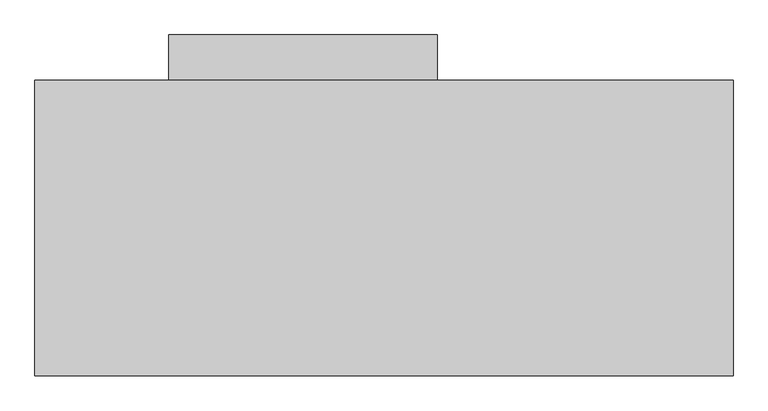
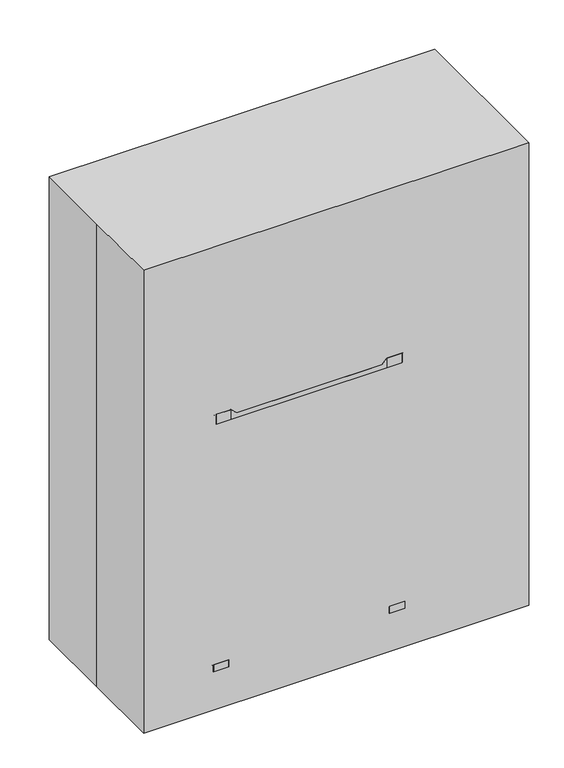
"""IFC4 building model written with IfcOpenShell, lengths in millimetres: proxy geometry."""

from ifc_helpers import new_model, si_unit, point, frame, frame_2d, origin, origin_with_axes, place, context, project, spatial, polyline, circle_curve, trimmed, segment, composite_curve, outline, extrude, faceted_brep, source, transform, mapped, element, save
from ifc_brep_helpers import plane_surface, cylinder_surface, revolved_surface, spline_surface, advanced_brep


def specialty_equipment_c0176299(model_context):
    return source(origin(), model_context, "Body", "SolidModel", [
        advanced_brep(
        [(-617.6487952, 2.9144028, 860.7975437), (-414.4487952, 2.9144028, 860.7975437), (-604.9487952, 2.9144028, 860.7975437), (-427.1487952, 2.9144028, 860.7975437), (-617.6487952, 2.9144028, 234.3936643), (-414.4487952, 2.9144028, 234.3936643), (-604.9487952, 2.9144028, 234.3936643), (-427.1487952, 2.9144028, 234.3936643), (-617.6487952, 2.9144028, 845.5698121), (-424.9008141, -41.9699547, 845.5698121), (-424.9008141, -41.9699547, 567.7573121), (-617.6487952, 2.9144028, 567.7573121), (-609.0105353, -38.0816322, 262.9573121), (-609.0105353, -38.0816322, 548.7073121), (-422.9407954, -37.7483612, 548.7073121), (-422.9407954, -37.7483612, 262.9573121), (-424.9008141, 47.7987602, 567.7573121), (-424.9008141, 47.7987602, 845.5698121), (-609.0105353, 43.9104377, 548.7073121), (-609.0105353, 43.9104377, 262.9573121), (-422.9407954, 43.5771667, 262.9573121), (-422.9407954, 43.5771667, 548.7073121), (-604.9487952, 2.9144028, 845.5698121), (-427.1487952, 2.9144028, 845.5698121), (-427.1487952, 2.9144028, 262.9573121), (-604.9487952, 2.9144028, 262.9573121), (-427.1487952, 2.9144028, 567.7573121), (-604.9487952, 2.9144028, 567.7573121), (-604.9487952, 2.9144028, 548.7073121), (-427.1487952, 2.9144028, 548.7073121)],
        [
            (0, 1, circle_curve(frame((-516.0487952, 2.9144028, 860.7975437), z_axis=(0.0, 0.0, 1.0), x_axis=(1.0, 1.2023715356688048e-12, 0.0)), 101.6)),
            (1, 0, circle_curve(frame((-516.0487952, 2.9144028, 860.7975437), z_axis=(0.0, 0.0, 1.0), x_axis=(1.0, 1.2023715356688048e-12, 0.0)), 101.6)),
            (2, 3, circle_curve(frame((-516.0487952, 2.9144028, 860.7975437), z_axis=(0.0, 0.0, -1.0), x_axis=(1.0, 1.2023715356688048e-12, 0.0)), 88.9)),
            (3, 2, circle_curve(frame((-516.0487952, 2.9144028, 860.7975437), z_axis=(0.0, 0.0, -1.0), x_axis=(1.0, 1.2023715356688048e-12, 0.0)), 88.9)),
            (4, 5, circle_curve(frame((-516.0487952, 2.9144028, 234.3936643), z_axis=(0.0, 0.0, -1.0), x_axis=(1.0, 1.2023715356688048e-12, 0.0)), 101.6)),
            (5, 4, circle_curve(frame((-516.0487952, 2.9144028, 234.3936643), z_axis=(0.0, 0.0, -1.0), x_axis=(1.0, 1.2023715356688048e-12, 0.0)), 101.6)),
            (6, 7, circle_curve(frame((-516.0487952, 2.9144028, 234.3936643), z_axis=(0.0, 0.0, 1.0), x_axis=(1.0, 1.2023715356688048e-12, 0.0)), 88.9)),
            (7, 6, circle_curve(frame((-516.0487952, 2.9144028, 234.3936643), z_axis=(0.0, 0.0, 1.0), x_axis=(1.0, 1.2023715356688048e-12, 0.0)), 88.9)),
            (0, 8),
            (8, 9, circle_curve(frame((-516.0487952, 2.9144028, 845.5698121), z_axis=(0.0, 0.0, 1.0), x_axis=(1.0, 1.2023715356688048e-12, 0.0)), 101.6)),
            (9, 10),
            (10, 11, circle_curve(frame((-516.0487952, 2.9144028, 567.7573121), z_axis=(0.0, 0.0, -1.0), x_axis=(1.0, 1.2023715356688048e-12, 0.0)), 101.6)),
            (11, 4),
            (5, 1),
            (12, 13),
            (13, 14, circle_curve(frame((-516.0487952, 2.9144028, 548.7073121), z_axis=(0.0, 0.0, 1.0), x_axis=(1.0, 1.2023715356688048e-12, 0.0)), 101.6)),
            (14, 15),
            (15, 12, circle_curve(frame((-516.0487952, 2.9144028, 262.9573121), z_axis=(0.0, 0.0, -1.0), x_axis=(1.0, 1.2023715356688048e-12, 0.0)), 101.6)),
            (11, 16, circle_curve(frame((-516.0487952, 2.9144028, 567.7573121), z_axis=(0.0, 0.0, -1.0), x_axis=(1.0, 1.2023715356688048e-12, 0.0)), 101.6)),
            (16, 17),
            (17, 8, circle_curve(frame((-516.0487952, 2.9144028, 845.5698121), z_axis=(0.0, 0.0, 1.0), x_axis=(1.0, 1.2023715356688048e-12, 0.0)), 101.6)),
            (18, 19),
            (19, 20, circle_curve(frame((-516.0487952, 2.9144028, 262.9573121), z_axis=(0.0, 0.0, -1.0), x_axis=(1.0, 1.2023715356688048e-12, 0.0)), 101.6)),
            (20, 21),
            (21, 18, circle_curve(frame((-516.0487952, 2.9144028, 548.7073121), z_axis=(0.0, 0.0, 1.0), x_axis=(1.0, 1.2023715356688048e-12, 0.0)), 101.6)),
            (2, 22),
            (22, 23, circle_curve(frame((-516.0487952, 2.9144028, 845.5698121), z_axis=(0.0, 0.0, -1.0), x_axis=(1.0, 1.2023715356688048e-12, 0.0)), 88.9)),
            (23, 3),
            (7, 24),
            (24, 25, circle_curve(frame((-516.0487952, 2.9144028, 262.9573121), z_axis=(0.0, 0.0, 1.0), x_axis=(1.0, 1.2023715356688048e-12, 0.0)), 88.9)),
            (25, 6),
            (26, 27, circle_curve(frame((-516.0487952, 2.9144028, 567.7573121), z_axis=(0.0, 0.0, 1.0), x_axis=(1.0, 1.2023715356688048e-12, 0.0)), 88.9)),
            (27, 28),
            (28, 29, circle_curve(frame((-516.0487952, 2.9144028, 548.7073121), z_axis=(0.0, 0.0, -1.0), x_axis=(1.0, 1.2023715356688048e-12, 0.0)), 88.9)),
            (29, 26),
            (23, 22, circle_curve(frame((-516.0487952, 2.9144028, 845.5698121), z_axis=(0.0, 0.0, -1.0), x_axis=(1.0, 1.2023715356688048e-12, 0.0)), 88.9)),
            (25, 24, circle_curve(frame((-516.0487952, 2.9144028, 262.9573121), z_axis=(0.0, 0.0, 1.0), x_axis=(1.0, 1.2023715356688048e-12, 0.0)), 88.9)),
            (27, 26, circle_curve(frame((-516.0487952, 2.9144028, 567.7573121), z_axis=(0.0, 0.0, 1.0), x_axis=(1.0, 1.2023715356688048e-12, 0.0)), 88.9)),
            (29, 28, circle_curve(frame((-516.0487952, 2.9144028, 548.7073121), z_axis=(0.0, 0.0, -1.0), x_axis=(1.0, 1.2023715356688048e-12, 0.0)), 88.9)),
            (10, 16),
            (9, 17),
            (18, 13),
            (12, 19),
            (15, 20),
            (14, 21),
        ],
        [
            plane_surface(frame((-414.4487952, 2.9144028, 860.7975437), z_axis=(0.0, 0.0, 1.0), x_axis=(-1.2023715356688048e-12, 1.0, 0.0))),
            plane_surface(frame((-414.4487952, 2.9144028, 234.3936643), z_axis=(0.0, 0.0, -1.0), x_axis=(1.2023715356688048e-12, -1.0, 0.0))),
            cylinder_surface(frame((-516.0487952, 2.9144028, 234.3936643), z_axis=(0.0, 0.0, 1.0), x_axis=(1.0, 1.2023715356688048e-12, 0.0)), 101.6),
            revolved_surface(polyline([(-427.1487952, 2.914402800106891, 845.5698121), (-427.1487952, 2.914402800106891, 860.7975437)]), (-516.0487952, 2.9144028, 163.5125), (0.0, 0.0, -1.0)),
            revolved_surface(polyline([(-427.1487952, 2.914402800106891, 234.3936643), (-427.1487952, 2.914402800106891, 262.9573121)]), (-516.0487952, 2.9144028, 163.5125), (0.0, 0.0, -1.0)),
            revolved_surface(polyline([(-427.1487952, 2.914402800106891, 548.7073121), (-427.1487952, 2.914402800106891, 567.7573121)]), (-516.0487952, 2.9144028, 163.5125), (0.0, 0.0, -1.0)),
            plane_surface(frame((-628.0605353, -110.1467187, 567.7573121), z_axis=(0.0, 0.0, 1.0), x_axis=(0.0, 1.0, 0.0))),
            plane_surface(frame((-424.9008141, -110.1467187, 567.7573121), z_axis=(-1.0, 0.0, 0.0), x_axis=(0.0, 1.0, 0.0))),
            plane_surface(frame((-424.9008141, -110.1467187, 845.5698121), z_axis=(0.0, 0.0, -1.0), x_axis=(0.0, 1.0, 0.0))),
            plane_surface(frame((-609.0105353, -110.1467187, 548.7073121), z_axis=(1.0, 0.0, 0.0), x_axis=(0.0, 1.0, 0.0))),
            plane_surface(frame((-609.0105353, -110.1467187, 262.9573121), z_axis=(0.0, 0.0, 1.0), x_axis=(0.0, 1.0, 0.0))),
            plane_surface(frame((-422.9407954, -110.1467187, 262.9573121), z_axis=(-1.0, 0.0, 0.0), x_axis=(0.0, 1.0, 0.0))),
            plane_surface(frame((-422.9407954, -110.1467187, 548.7073121), z_axis=(0.0, 0.0, -1.0), x_axis=(0.0, 1.0, 0.0))),
        ],
        [
            (0, [[1, 2], [3, 4]]),
            (1, [[5, 6], [7, 8]]),
            (2, [[-1, 9, 10, 11, 12, 13, -6, 14], [15, 16, 17, 18]]),
            (2, [[-2, -14, -5, -13, 19, 20, 21, -9], [22, 23, 24, 25]]),
            (3, [[-3, 26, 27, 28]]),
            (4, [[-8, 29, 30, 31]]),
            (5, [[32, 33, 34, 35]]),
            (3, [[-4, -28, 36, -26]]),
            (4, [[-7, -31, 37, -29]]),
            (5, [[38, -35, 39, -33]]),
            (6, [[40, -19, -12], [-32, -38]]),
            (7, [[-40, -11, 41, -20]]),
            (8, [[-41, -10, -21], [-27, -36]]),
            (9, [[42, -15, 43, -22]]),
            (10, [[-43, -18, 44, -23], [-30, -37]]),
            (11, [[-44, -17, 45, -24]]),
            (12, [[-42, -25, -45, -16], [-34, -39]]),
        ],
    ),
        faceted_brep([(224.7592046, -250.6571972, 163.5125), (224.7592046, -250.6571972, 1031.748), (173.9592046, -250.6571972, 1031.748), (-359.4407954, -250.6571972, 1031.748), (-410.2407954, -250.6571972, 1031.748), (-410.2407954, -250.6571972, 163.5125), (-359.4407954, -250.6571972, 221.742), (-359.4407954, -250.6571972, 996.442), (173.9592046, -250.6571972, 996.442), (173.9592046, -250.6571972, 221.742), (224.7592046, 250.9928028, 163.5125), (-410.2407954, 250.9928028, 163.5125), (-410.2407954, 250.9928028, 1031.748), (-359.4407954, 250.9928028, 1031.748), (173.9592046, 250.9928028, 1031.748), (224.7592046, 250.9928028, 1031.748), (224.7592046, -203.0321972, 996.442), (224.7592046, 203.3678028, 996.442), (224.7592046, 203.3678028, 977.392), (224.7592046, -203.0321972, 977.392), (-359.4407954, 238.7231785, 996.442), (-359.4407954, 238.7231785, 221.742), (173.9592046, 238.7231785, 221.742), (173.9592046, 238.7231785, 996.442), (640.6842046, -203.0321972, 996.442), (640.6842046, 203.3678028, 996.442), (640.6842046, 203.3678028, 977.392), (640.6842046, -203.0321972, 977.392)], [[[0, 1, 2, 3, 4, 5], [6, 7, 8, 9]], [[10, 11, 12, 13, 14, 15]], [[1, 0, 10, 15], [16, 17, 18, 19]], [[2, 1, 15, 14]], [[3, 2, 14, 13]], [[4, 3, 13, 12]], [[5, 4, 12, 11]], [[0, 5, 11, 10]], [[20, 21, 22, 23]], [[21, 20, 7, 6]], [[22, 21, 6, 9]], [[23, 22, 9, 8]], [[20, 23, 8, 7]], [[24, 25, 17, 16]], [[26, 27, 19, 18]], [[27, 24, 16, 19]], [[25, 24, 27, 26]], [[25, 26, 18, 17]]]),
        extrude(outline(polyline([(154.9092046, 154.1553028), (154.9092046, -204.6196972), (-340.3907954, -204.6196972), (-340.3907954, 154.1553028), (154.9092046, 154.1553028)])), frame((0.0, 0.0, 912.2918), z_axis=(0.0, 0.0, 1.0), x_axis=(1.0, 0.0, 0.0)), (0.0, 0.0, 1.0), 76.4986177),
        extrude(outline(polyline([(154.9092046, 154.1553028), (154.9092046, -204.6196972), (-340.3907954, -204.6196972), (-340.3907954, 154.1553028), (154.9092046, 154.1553028)])), frame((0.0, 0.0, 835.7931823), z_axis=(0.0, 0.0, 1.0), x_axis=(1.0, 0.0, 0.0)), (0.0, 0.0, 1.0), 76.4986177),
        extrude(outline(polyline([(154.9092046, 154.1553028), (154.9092046, -204.6196972), (-340.3907954, -204.6196972), (-340.3907954, 154.1553028), (154.9092046, 154.1553028)])), frame((0.0, 0.0, 759.4438734), z_axis=(0.0, 0.0, 1.0), x_axis=(1.0, 0.0, 0.0)), (0.0, 0.0, 1.0), 76.4986177),
        extrude(outline(polyline([(154.9092046, 154.1553028), (154.9092046, -204.6196972), (-340.3907954, -204.6196972), (-340.3907954, 154.1553028), (154.9092046, 154.1553028)])), frame((0.0, 0.0, 683.0945645), z_axis=(0.0, 0.0, 1.0), x_axis=(1.0, 0.0, 0.0)), (0.0, 0.0, 1.0), 76.4986177),
        extrude(outline(polyline([(154.9092046, 154.1553028), (154.9092046, -204.6196972), (-340.3907954, -204.6196972), (-340.3907954, 154.1553028), (154.9092046, 154.1553028)])), frame((0.0, 0.0, 530.3959468), z_axis=(0.0, 0.0, 1.0), x_axis=(1.0, 0.0, 0.0)), (0.0, 0.0, 1.0), 152.6986177),
        extrude(outline(polyline([(154.9092046, 154.1553028), (154.9092046, -204.6196972), (-340.3907954, -204.6196972), (-340.3907954, 154.1553028), (154.9092046, 154.1553028)])), frame((0.0, 0.0, 377.6973291), z_axis=(0.0, 0.0, 1.0), x_axis=(1.0, 0.0, 0.0)), (0.0, 0.0, 1.0), 152.6986177),
        extrude(outline(polyline([(154.9092046, 154.1553028), (154.9092046, -204.6196972), (-340.3907954, -204.6196972), (-340.3907954, 154.1553028), (154.9092046, 154.1553028)])), frame((0.0, 0.0, 225.2973291), z_axis=(0.0, 0.0, 1.0), x_axis=(1.0, 0.0, 0.0)), (0.0, 0.0, 1.0), 152.4),
        extrude(outline(composite_curve([segment(polyline([(1576.3284075, 82.0502646), (1573.7217185, 79.4435756)]), True, "CONTINUOUS"), segment(trimmed(circle_curve(frame_2d((1564.938779, 70.6606361)), 12.4209521), [point((1573.7217185, 79.4435756))], [point((1577.3597311, 70.6606361))], True, "CARTESIAN"), True, "CONTINUOUS"), segment(polyline([(1577.3597311, 70.6606361), (1577.3597311, 297.5600485)]), True, "CONTINUOUS"), segment(trimmed(circle_curve(frame_2d((1564.938779, 297.5600485)), 12.4209521), [point((1577.3597311, 297.5600485))], [point((1573.7217185, 288.777109))], True, "CARTESIAN"), True, "CONTINUOUS"), segment(polyline([(1573.7217185, 288.777109), (1576.3284075, 286.17042)]), True, "CONTINUOUS"), segment(trimmed(circle_curve(frame_2d((1564.938779, 297.5600485)), 16.1073671), [point((1576.3284075, 286.17042))], [point((1581.0461461, 297.5600485))], False, "CARTESIAN"), True, "CONTINUOUS"), segment(polyline([(1581.0461461, 297.5600485), (1581.0461461, 70.6606361)]), True, "CONTINUOUS"), segment(trimmed(circle_curve(frame_2d((1564.938779, 70.6606361)), 16.1073671), [point((1581.0461461, 70.6606361))], [point((1576.3284075, 82.0502646))], False, "CARTESIAN"), True, "CONTINUOUS")], self_intersect=False)), frame((0.0, 172.0713619, 0.0), z_axis=(0.0, 1.0, 0.0), x_axis=(0.0, 0.0, 1.0)), (0.0, 0.0, 1.0), 3.1474566),
        extrude(outline(composite_curve([segment(trimmed(circle_curve(frame_2d((183.4842046, 174.7928028)), 12.7), [point((183.4842046, 187.4928028))], [point((183.4842046, 162.0928028))], False, "CARTESIAN"), True, "CONTINUOUS"), segment(trimmed(circle_curve(frame_2d((183.4842046, 174.7928028)), 12.7), [point((183.4842046, 162.0928028))], [point((183.4842046, 187.4928028))], False, "CARTESIAN"), True, "CONTINUOUS")], self_intersect=False)), frame((0.0, 0.0, 1031.748), z_axis=(0.0, 0.0, 1.0), x_axis=(1.0, 0.0, 0.0)), (0.0, 0.0, 1.0), 558.8),
        extrude(outline(polyline([(46.9592046, 333.5428028), (46.9592046, 263.6928028), (161.2592046, 263.6928028), (161.2592046, 250.9928028), (-346.7407954, 250.9928028), (-346.7407954, 263.6928028), (-232.4407954, 263.6928028), (-232.4407954, 333.5428028), (46.9592046, 333.5428028)])), frame((0.0, 0.0, 759.5931823), z_axis=(0.0, 0.0, 1.0), x_axis=(1.0, 0.0, 0.0)), (0.0, 0.0, 1.0), 51.55692),
        extrude(outline(composite_curve([segment(polyline([(-368.9657954, -279.2321972), (-419.7657954, -279.2321972)]), True, "CONTINUOUS"), segment(trimmed(circle_curve(frame_2d((-419.7657954, -253.8321972)), 25.4), [point((-419.7657954, -279.2321972))], [point((-445.1657954, -253.8321972))], False, "CARTESIAN"), True, "CONTINUOUS"), segment(polyline([(-445.1657954, -253.8321972), (-445.1657954, -203.0321972)]), True, "CONTINUOUS"), segment(trimmed(circle_curve(frame_2d((-419.7657954, -203.0321972)), 25.4), [point((-445.1657954, -203.0321972))], [point((-419.7657954, -177.6321972))], False, "CARTESIAN"), True, "CONTINUOUS"), segment(polyline([(-419.7657954, -177.6321972), (-368.9657954, -177.6321972)]), True, "CONTINUOUS"), segment(trimmed(circle_curve(frame_2d((-368.9657954, -203.0321972)), 25.4), [point((-368.9657954, -177.6321972))], [point((-343.5657954, -203.0321972))], False, "CARTESIAN"), True, "CONTINUOUS"), segment(polyline([(-343.5657954, -203.0321972), (-343.5657954, -253.8321972)]), True, "CONTINUOUS"), segment(trimmed(circle_curve(frame_2d((-368.9657954, -253.8321972)), 25.4), [point((-343.5657954, -253.8321972))], [point((-368.9657954, -279.2321972))], False, "CARTESIAN"), True, "CONTINUOUS")], self_intersect=False)), frame((0.0, 0.0, 138.1125), z_axis=(0.0, 0.0, 1.0), x_axis=(1.0, 0.0, 0.0)), (0.0, 0.0, 1.0), 25.4),
        extrude(outline(composite_curve([segment(trimmed(circle_curve(frame_2d((183.4842046, -253.8321972)), 25.4), [point((183.4842046, -279.2321972))], [point((158.0842046, -253.8321972))], False, "CARTESIAN"), True, "CONTINUOUS"), segment(polyline([(158.0842046, -253.8321972), (158.0842046, -203.0321972)]), True, "CONTINUOUS"), segment(trimmed(circle_curve(frame_2d((183.4842046, -203.0321972)), 25.4), [point((158.0842046, -203.0321972))], [point((183.4842046, -177.6321972))], False, "CARTESIAN"), True, "CONTINUOUS"), segment(polyline([(183.4842046, -177.6321972), (234.2842046, -177.6321972)]), True, "CONTINUOUS"), segment(trimmed(circle_curve(frame_2d((234.2842046, -203.0321972)), 25.4), [point((234.2842046, -177.6321972))], [point((259.6842046, -203.0321972))], False, "CARTESIAN"), True, "CONTINUOUS"), segment(polyline([(259.6842046, -203.0321972), (259.6842046, -253.8321972)]), True, "CONTINUOUS"), segment(trimmed(circle_curve(frame_2d((234.2842046, -253.8321972)), 25.4), [point((259.6842046, -253.8321972))], [point((234.2842046, -279.2321972))], False, "CARTESIAN"), True, "CONTINUOUS"), segment(polyline([(234.2842046, -279.2321972), (183.4842046, -279.2321972)]), True, "CONTINUOUS")], self_intersect=False)), frame((0.0, 0.0, 138.1125), z_axis=(0.0, 0.0, 1.0), x_axis=(1.0, 0.0, 0.0)), (0.0, 0.0, 1.0), 25.4),
        extrude(outline(composite_curve([segment(trimmed(circle_curve(frame_2d((-419.7657954, 254.1678028)), 25.4), [point((-445.1657954, 254.1678028))], [point((-419.7657954, 279.5678028))], False, "CARTESIAN"), True, "CONTINUOUS"), segment(polyline([(-419.7657954, 279.5678028), (-368.9657954, 279.5678028)]), True, "CONTINUOUS"), segment(trimmed(circle_curve(frame_2d((-368.9657954, 254.1678028)), 25.4), [point((-368.9657954, 279.5678028))], [point((-343.5657954, 254.1678028))], False, "CARTESIAN"), True, "CONTINUOUS"), segment(polyline([(-343.5657954, 254.1678028), (-343.5657954, 203.3678028)]), True, "CONTINUOUS"), segment(trimmed(circle_curve(frame_2d((-368.9657954, 203.3678028)), 25.4), [point((-343.5657954, 203.3678028))], [point((-368.9657954, 177.9678028))], False, "CARTESIAN"), True, "CONTINUOUS"), segment(polyline([(-368.9657954, 177.9678028), (-419.7657954, 177.9678028)]), True, "CONTINUOUS"), segment(trimmed(circle_curve(frame_2d((-419.7657954, 203.3678028)), 25.4), [point((-419.7657954, 177.9678028))], [point((-445.1657954, 203.3678028))], False, "CARTESIAN"), True, "CONTINUOUS"), segment(polyline([(-445.1657954, 203.3678028), (-445.1657954, 254.1678028)]), True, "CONTINUOUS")], self_intersect=False)), frame((0.0, 0.0, 138.1125), z_axis=(0.0, 0.0, 1.0), x_axis=(1.0, 0.0, 0.0)), (0.0, 0.0, 1.0), 25.4),
        extrude(outline(composite_curve([segment(trimmed(circle_curve(frame_2d((183.4842046, 254.1678028)), 25.4), [point((158.0842046, 254.1678028))], [point((183.4842046, 279.5678028))], False, "CARTESIAN"), True, "CONTINUOUS"), segment(polyline([(183.4842046, 279.5678028), (234.2842046, 279.5678028)]), True, "CONTINUOUS"), segment(trimmed(circle_curve(frame_2d((234.2842046, 254.1678028)), 25.4), [point((234.2842046, 279.5678028))], [point((259.6842046, 254.1678028))], False, "CARTESIAN"), True, "CONTINUOUS"), segment(polyline([(259.6842046, 254.1678028), (259.6842046, 203.3678028)]), True, "CONTINUOUS"), segment(trimmed(circle_curve(frame_2d((234.2842046, 203.3678028)), 25.4), [point((259.6842046, 203.3678028))], [point((234.2842046, 177.9678028))], False, "CARTESIAN"), True, "CONTINUOUS"), segment(polyline([(234.2842046, 177.9678028), (183.4842046, 177.9678028)]), True, "CONTINUOUS"), segment(trimmed(circle_curve(frame_2d((183.4842046, 203.3678028)), 25.4), [point((183.4842046, 177.9678028))], [point((158.0842046, 203.3678028))], False, "CARTESIAN"), True, "CONTINUOUS"), segment(polyline([(158.0842046, 203.3678028), (158.0842046, 254.1678028)]), True, "CONTINUOUS")], self_intersect=False)), frame((0.0, 0.0, 138.1125), z_axis=(0.0, 0.0, 1.0), x_axis=(1.0, 0.0, 0.0)), (0.0, 0.0, 1.0), 25.4),
        extrude(outline(composite_curve([segment(trimmed(circle_curve(frame_2d((60.3746094, -384.791186)), 60.3746094), [point((60.3746094, -324.4165766))], [point((60.3746094, -445.1657954))], False, "CARTESIAN"), True, "CONTINUOUS"), segment(trimmed(circle_curve(frame_2d((60.3746094, -384.791186)), 60.3746094), [point((60.3746094, -445.1657954))], [point((60.3746094, -324.4165766))], False, "CARTESIAN"), True, "CONTINUOUS")], self_intersect=False)), frame((0.0, 219.2428028, 0.0), z_axis=(0.0, 1.0, 0.0), x_axis=(0.0, 0.0, 1.0)), (0.0, 0.0, 1.0), 19.05),
        extrude(outline(composite_curve([segment(trimmed(circle_curve(frame_2d((60.3746094, 199.3095952)), 60.3746094), [point((60.3746094, 259.6842046))], [point((60.3746094, 138.9349859))], False, "CARTESIAN"), True, "CONTINUOUS"), segment(trimmed(circle_curve(frame_2d((60.3746094, 199.3095952)), 60.3746094), [point((60.3746094, 138.9349859))], [point((60.3746094, 259.6842046))], False, "CARTESIAN"), True, "CONTINUOUS")], self_intersect=False)), frame((0.0, 219.2428028, 0.0), z_axis=(0.0, 1.0, 0.0), x_axis=(0.0, 0.0, 1.0)), (0.0, 0.0, 1.0), 19.05),
        extrude(outline(polyline([(60.3746094, -391.141186), (60.3746094, -378.441186), (138.1125, -332.4532954), (138.1125, -445.1657954), (60.3746094, -391.141186)])), frame((0.0, 216.0678028, 0.0), z_axis=(0.0, 1.0, 0.0), x_axis=(0.0, 0.0, 1.0)), (0.0, 0.0, 1.0), 25.4),
        extrude(outline(polyline([(60.3746094, 192.9595952), (60.3746094, 205.6595952), (138.1125, 259.6842046), (138.1125, 146.9717046), (60.3746094, 192.9595952)])), frame((0.0, 216.0678028, 0.0), z_axis=(0.0, 1.0, 0.0), x_axis=(0.0, 0.0, 1.0)), (0.0, 0.0, 1.0), 25.4),
        extrude(outline(composite_curve([segment(trimmed(circle_curve(frame_2d((60.3746094, -384.791186)), 60.3746094), [point((60.3746094, -324.4165766))], [point((60.3746094, -445.1657954))], False, "CARTESIAN"), True, "CONTINUOUS"), segment(trimmed(circle_curve(frame_2d((60.3746094, -384.791186)), 60.3746094), [point((60.3746094, -445.1657954))], [point((60.3746094, -324.4165766))], False, "CARTESIAN"), True, "CONTINUOUS")], self_intersect=False)), frame((0.0, -237.9571972, 0.0), z_axis=(0.0, 1.0, 0.0), x_axis=(0.0, 0.0, 1.0)), (0.0, 0.0, 1.0), 19.05),
        extrude(outline(composite_curve([segment(trimmed(circle_curve(frame_2d((60.3746094, 199.3095952)), 60.3746094), [point((60.3746094, 259.6842046))], [point((60.3746094, 138.9349859))], False, "CARTESIAN"), True, "CONTINUOUS"), segment(trimmed(circle_curve(frame_2d((60.3746094, 199.3095952)), 60.3746094), [point((60.3746094, 138.9349859))], [point((60.3746094, 259.6842046))], False, "CARTESIAN"), True, "CONTINUOUS")], self_intersect=False)), frame((0.0, -237.9571972, 0.0), z_axis=(0.0, 1.0, 0.0), x_axis=(0.0, 0.0, 1.0)), (0.0, 0.0, 1.0), 19.05),
        extrude(outline(polyline([(60.3746094, -391.141186), (60.3746094, -378.441186), (138.1125, -332.4532954), (138.1125, -445.1657954), (60.3746094, -391.141186)])), frame((0.0, -241.1321972, 0.0), z_axis=(0.0, 1.0, 0.0), x_axis=(0.0, 0.0, 1.0)), (0.0, 0.0, 1.0), 25.4),
        extrude(outline(polyline([(60.3746094, 192.9595952), (60.3746094, 205.6595952), (138.1125, 259.6842046), (138.1125, 146.9717046), (60.3746094, 192.9595952)])), frame((0.0, -241.1321972, 0.0), z_axis=(0.0, 1.0, 0.0), x_axis=(0.0, 0.0, 1.0)), (0.0, 0.0, 1.0), 25.4),
        advanced_brep(
        [(434.3092046, -120.4821972, 590.55), (434.3092046, 120.8178028, 590.55), (408.9092046, 146.2178028, 590.55), (250.1592046, 146.2178028, 590.55), (224.7592046, 120.8178028, 590.55), (224.7592046, -120.4821972, 590.55), (250.1592046, -145.8821972, 590.55), (408.9092046, -145.8821972, 590.55), (408.9092046, -114.1321972, 273.05), (402.5592046, -120.4821972, 273.05), (256.5092046, -120.4821972, 273.05), (250.1592046, -114.1321972, 273.05), (250.1592046, 114.4678028, 273.05), (256.5092046, 120.8178028, 273.05), (402.5592046, 120.8178028, 273.05), (408.9092046, 114.4678028, 273.05)],
        [
            (0, 1),
            (1, 2, circle_curve(frame((408.9092046, 120.8178028, 590.55), z_axis=(0.0, 0.0, 1.0), x_axis=(0.0, -1.0, 0.0)), 25.4)),
            (2, 3),
            (3, 4, circle_curve(frame((250.1592046, 120.8178028, 590.55), z_axis=(0.0, 0.0, 1.0), x_axis=(0.0, -1.0, 0.0)), 25.4)),
            (4, 5),
            (5, 6, circle_curve(frame((250.1592046, -120.4821972, 590.55), z_axis=(0.0, 0.0, 1.0), x_axis=(0.0, -1.0, 0.0)), 25.4)),
            (6, 7),
            (7, 0, circle_curve(frame((408.9092046, -120.4821972, 590.55), z_axis=(0.0, 0.0, 1.0), x_axis=(0.0, -1.0, 0.0)), 25.4)),
            (8, 9, circle_curve(frame((402.5592046, -114.1321972, 273.05), z_axis=(0.0, 0.0, -1.0), x_axis=(0.0, -1.0, 0.0)), 6.35)),
            (9, 10),
            (10, 11, circle_curve(frame((256.5092046, -114.1321972, 273.05), z_axis=(0.0, 0.0, -1.0), x_axis=(0.0, -1.0, 0.0)), 6.35)),
            (11, 12),
            (12, 13, circle_curve(frame((256.5092046, 114.4678028, 273.05), z_axis=(0.0, 0.0, -1.0), x_axis=(0.0, -1.0, 0.0)), 6.35)),
            (13, 14),
            (14, 15, circle_curve(frame((402.5592046, 114.4678028, 273.05), z_axis=(0.0, 0.0, -1.0), x_axis=(0.0, -1.0, 0.0)), 6.35)),
            (15, 8),
            (15, 1),
            (0, 8),
            (14, 2),
            (13, 3),
            (12, 4),
            (11, 5),
            (10, 6),
            (9, 7),
        ],
        [
            plane_surface(frame((329.5342046, 0.1678028, 590.55), z_axis=(0.0, 0.0, 1.0), x_axis=(0.0, 1.0, 0.0))),
            plane_surface(frame((329.5342046, 0.1678028, 273.05), z_axis=(0.0, 0.0, -1.0), x_axis=(0.0, 1.0, 0.0))),
            plane_surface(frame((408.9092046, 0.1678028, 273.05), z_axis=(0.9968152785361276, 0.0, -0.07974522228285794), x_axis=(0.0, 1.0, 0.0))),
            spline_surface(2, 1, [[(408.9092046, 114.4678028, 273.05), (434.3092046, 120.8178028, 590.55)], [(408.9092046, 120.81780280000002, 273.05), (434.3092046, 146.21780279999996, 590.55)], [(402.5592046, 120.8178028, 273.05), (408.9092046, 146.2178028, 590.55)]], [3, 3], [2, 2], [0.0, 1.0], [0.0, 1.0], weights=[[1.0, 1.0], [0.7071067811865477, 0.7071067811865477], [1.0, 1.0]]),
            plane_surface(frame((329.5342046, 120.8178028, 273.05), z_axis=(0.0, 0.9968152785361256, -0.07974522228288214), x_axis=(-1.0, 0.0, 0.0))),
            spline_surface(2, 1, [[(256.5092046, 120.8178028, 273.05), (250.1592046, 146.2178028, 590.55)], [(250.15920459999998, 120.8178028, 273.05), (224.75920460000003, 146.21780279999996, 590.55)], [(250.1592046, 114.4678028, 273.05), (224.7592046, 120.8178028, 590.55)]], [3, 3], [2, 2], [0.0, 1.0], [0.0, 1.0], weights=[[1.0, 1.0], [0.7071067811865478, 0.7071067811865478], [1.0, 1.0]]),
            plane_surface(frame((250.1592046, 0.1678028, 273.05), z_axis=(-0.9968152785361235, 0.0, -0.07974522228290898), x_axis=(0.0, -1.0, 0.0))),
            spline_surface(2, 1, [[(250.1592046, -114.1321972, 273.05), (224.7592046, -120.4821972, 590.55)], [(250.1592046, -120.48219719999996, 273.05), (224.7592046, -145.8821972, 590.55)], [(256.5092046, -120.4821972, 273.05), (250.1592046, -145.8821972, 590.55)]], [3, 3], [2, 2], [0.0, 1.0], [0.0, 1.0], weights=[[1.0, 1.0], [0.7071067811865476, 0.7071067811865476], [1.0, 1.0]]),
            plane_surface(frame((329.5342046, -120.4821972, 273.05), z_axis=(0.0, -0.9968152785361258, -0.0797452222828805), x_axis=(1.0, 0.0, 0.0))),
            spline_surface(2, 1, [[(402.5592046, -120.4821972, 273.05), (408.9092046, -145.8821972, 590.55)], [(408.9092046, -120.48219720000002, 273.05), (434.30920460000004, -145.88219720000004, 590.55)], [(408.9092046, -114.1321972, 273.05), (434.3092046, -120.4821972, 590.55)]], [3, 3], [2, 2], [0.0, 1.0], [0.0, 1.0], weights=[[1.0, 1.0], [0.7071067811865471, 0.7071067811865471], [1.0, 1.0]]),
        ],
        [
            (0, [[1, 2, 3, 4, 5, 6, 7, 8]]),
            (1, [[9, 10, 11, 12, 13, 14, 15, 16]]),
            (2, [[-16, 17, -1, 18]]),
            (3, [[-15, 19, -2, -17]]),
            (4, [[-14, 20, -3, -19]]),
            (5, [[-13, 21, -4, -20]]),
            (6, [[-12, 22, -5, -21]]),
            (7, [[-11, 23, -6, -22]]),
            (8, [[-10, 24, -7, -23]]),
            (9, [[-9, -18, -8, -24]]),
        ],
    ),
        extrude(outline(polyline([(1031.748, -359.4407954), (1031.748, 173.9592046), (1066.8, 173.9592046), (1048.8394878, 155.9986924), (1048.8394878, -341.4802831), (1066.8, -359.4407954), (1031.748, -359.4407954)])), frame((0.0, -279.2321972, 0.0), z_axis=(0.0, 1.0, 0.0), x_axis=(0.0, 0.0, 1.0)), (0.0, 0.0, 1.0), 28.575),
        extrude(outline(composite_curve([segment(polyline([(-359.4407954, -279.2321972), (-410.2407954, -279.2321972)]), True, "CONTINUOUS"), segment(trimmed(circle_curve(frame_2d((-410.2407954, -244.3071972)), 34.925), [point((-410.2407954, -279.2321972))], [point((-445.1657954, -244.3071972))], False, "CARTESIAN"), True, "CONTINUOUS"), segment(polyline([(-445.1657954, -244.3071972), (-445.1657954, 244.6428028)]), True, "CONTINUOUS"), segment(trimmed(circle_curve(frame_2d((-410.2407954, 244.6428028)), 34.925), [point((-445.1657954, 244.6428028))], [point((-410.2407954, 279.5678028))], False, "CARTESIAN"), True, "CONTINUOUS"), segment(polyline([(-410.2407954, 279.5678028), (224.7592046, 279.5678028)]), True, "CONTINUOUS"), segment(trimmed(circle_curve(frame_2d((224.7592046, 244.6428028)), 34.925), [point((224.7592046, 279.5678028))], [point((259.6842046, 244.6428028))], False, "CARTESIAN"), True, "CONTINUOUS"), segment(polyline([(259.6842046, 244.6428028), (259.6842046, -244.3071972)]), True, "CONTINUOUS"), segment(trimmed(circle_curve(frame_2d((224.7592046, -244.3071972)), 34.925), [point((259.6842046, -244.3071972))], [point((224.7592046, -279.2321972))], False, "CARTESIAN"), True, "CONTINUOUS"), segment(polyline([(224.7592046, -279.2321972), (173.9592046, -279.2321972), (173.9592046, -250.6571972)]), True, "CONTINUOUS"), segment(trimmed(circle_curve(frame_2d((173.9592046, -199.8571972)), 50.8), [point((173.9592046, -250.6571972))], [point((224.7592046, -199.8571972))], True, "CARTESIAN"), True, "CONTINUOUS"), segment(polyline([(224.7592046, -199.8571972), (224.7592046, 200.1928028)]), True, "CONTINUOUS"), segment(trimmed(circle_curve(frame_2d((173.9592046, 200.1928028)), 50.8), [point((224.7592046, 200.1928028))], [point((173.9592046, 250.9928028))], True, "CARTESIAN"), True, "CONTINUOUS"), segment(polyline([(173.9592046, 250.9928028), (-359.4407954, 250.9928028)]), True, "CONTINUOUS"), segment(trimmed(circle_curve(frame_2d((-359.4407954, 200.1928028)), 50.8), [point((-359.4407954, 250.9928028))], [point((-410.2407954, 200.1928028))], True, "CARTESIAN"), True, "CONTINUOUS"), segment(polyline([(-410.2407954, 200.1928028), (-410.2407954, -199.8571972)]), True, "CONTINUOUS"), segment(trimmed(circle_curve(frame_2d((-359.4407954, -199.8571972)), 50.8), [point((-410.2407954, -199.8571972))], [point((-359.4407954, -250.6571972))], True, "CARTESIAN"), True, "CONTINUOUS"), segment(polyline([(-359.4407954, -250.6571972), (-359.4407954, -279.2321972)]), True, "CONTINUOUS")], self_intersect=False)), frame((0.0, 0.0, 1031.748), z_axis=(0.0, 0.0, 1.0), x_axis=(1.0, 0.0, 0.0)), (0.0, 0.0, 1.0), 35.052),
        extrude(outline(composite_curve([segment(trimmed(circle_curve(frame_2d((-368.9657954, 174.7928028)), 25.4), [point((-368.9657954, 149.3928028))], [point((-368.9657954, 200.1928028))], False, "CARTESIAN"), True, "CONTINUOUS"), segment(trimmed(circle_curve(frame_2d((-368.9657954, 174.7928028)), 25.4), [point((-368.9657954, 200.1928028))], [point((-368.9657954, 149.3928028))], False, "CARTESIAN"), True, "CONTINUOUS")], self_intersect=False)), frame((0.0, 0.0, 1031.748), z_axis=(0.0, 0.0, 1.0), x_axis=(1.0, 0.0, 0.0)), (0.0, 0.0, 1.0), 152.4),
        extrude(outline(polyline([(-407.0657954, -15.7071972), (-407.0657954, 365.2928028), (100.9342046, 365.2928028), (100.9342046, -15.7071972), (-407.0657954, -15.7071972)])), frame((0.0, 0.0, 1184.148), z_axis=(0.0, 0.0, 1.0), x_axis=(1.0, 0.0, 0.0)), (0.0, 0.0, 1.0), 19.05),
        extrude(outline(polyline([(-660.4, 279.4), (660.4, 279.4), (660.4, -279.4), (-660.4, -279.4), (-660.4, 0.0), (-660.4, 279.4)])), origin_with_axes(), (0.0, 0.0, 1.0), 1676.4),
    ])


if __name__ == "__main__":
    model = new_model("IFC4")
    model_context = context("Model", 3, world=origin())
    ifc_project = project(units=[si_unit("LENGTHUNIT", "METRE", prefix="MILLI")], contexts=[model_context])
    site = spatial("IfcSite", under=ifc_project)
    building = spatial("IfcBuilding", under=site)
    placement = place(None, origin())
    specialty_equipment_shape = specialty_equipment_c0176299(model_context)
    element("IfcBuildingElementProxy", 1, Name="Specialty Equipment", at=placement, inside=building, context=model_context, shape_type="MappedRepresentation", body=[
        mapped(specialty_equipment_shape, transform((0.0, 0.0, 0.0), x_axis=(1.0, 0.0, 0.0), y_axis=(0.0, 1.0, 0.0), z_axis=(0.0, 0.0, 1.0))),
    ])
    save(model, "model.ifc")
